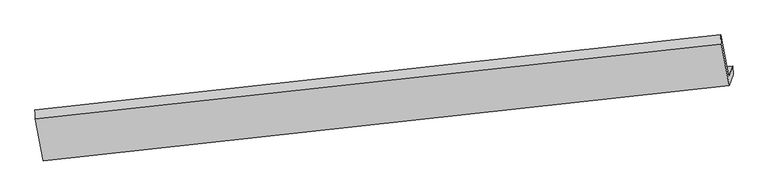
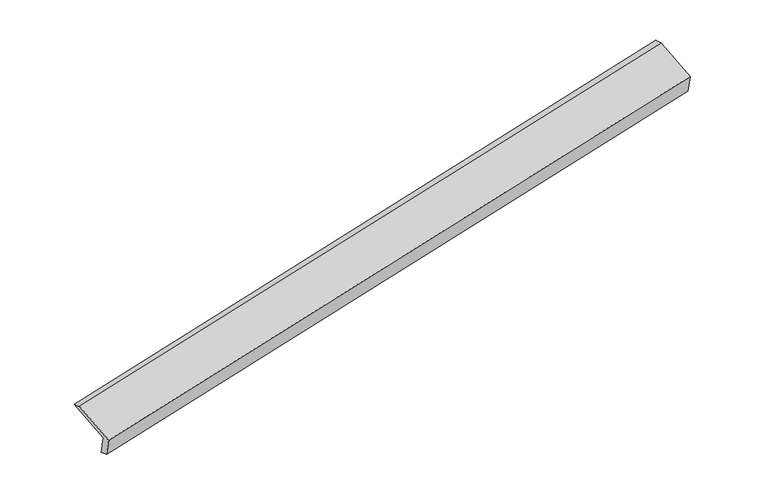
"""IFC4 building model written with IfcOpenShell, lengths in millimetres: proxy geometry."""

from ifc_helpers import new_model, si_unit, frame, origin, place, context, project, spatial, source, transform, mapped, element, save
from ifc_brep_helpers import plane_surface, spline_surface, advanced_brep


def generic_models_eae6e99e(model_context):
    return source(origin(), model_context, "Body", "AdvancedBrep", [
        advanced_brep(
        [(-8458.6178486, -2162.6579804, 390.1510597), (-8521.0673564, -2339.554824, 796.0865793), (2838.0991475, -1098.9993653, 3100.719852), (2901.2469038, -920.1246367, 2690.245564), (-8450.9928822, -2321.2303712, 439.8987379), (2908.5009285, -1065.6215266, 2734.6179578), (-8512.2388706, -2494.7180801, 838.0111171), (2845.8584431, -1243.0650058, 3141.807874), (-8646.2587, -1803.1949611, 1118.7423641), (2713.6060524, -560.6616173, 3418.8368683), (-8653.8830224, -1654.2450155, 1074.295466), (2703.5160428, -404.5698263, 3382.6309914)],
        [
            (0, 1),
            (1, 2),
            (2, 3),
            (3, 0),
            (4, 0),
            (3, 5),
            (5, 4),
            (6, 4),
            (5, 7),
            (7, 6),
            (8, 6),
            (7, 9),
            (9, 8),
            (10, 8),
            (9, 11),
            (11, 10),
            (1, 10),
            (11, 2),
        ],
        [
            plane_surface(frame((-8489.8426025, -2251.1064022, 593.1188195), z_axis=(-0.17481474689428927, 0.9121865323363303, 0.37061507591098675), x_axis=(-0.13964969581312955, -0.39557702307377773, 0.9077537007775778))),
            spline_surface(1, 1, [[(-8450.9928822, -2321.2303712, 439.8987379), (2908.5009285, -1065.6215266, 2734.6179578)], [(-8458.6178486, -2162.6579804, 390.1510597), (2901.2469038, -920.1246367, 2690.245564)]], [2, 2], [2, 2], [0.0, 1.0], [0.0, 1.0]),
            plane_surface(frame((-8481.6158764, -2407.9742256, 638.9549275), z_axis=(0.1756508020339454, -0.912094462690847, -0.37044633467416993), x_axis=(0.13964969581291573, 0.39557702307377046, -0.907753700777614))),
            plane_surface(frame((-8579.2487853, -2148.9565206, 978.3767406), z_axis=(-0.14048546722456715, -0.39567016068192173, 0.9075841324332625), x_axis=(0.17674387158307875, -0.9119730553693584, -0.37022526944834766))),
            spline_surface(1, 1, [[(-8653.8830224, -1654.2450155, 1074.295466), (2703.5160428, -404.5698263, 3382.6309914)], [(-8646.2587, -1803.1949611, 1118.7423641), (2713.6060524, -560.6616173, 3418.8368683)]], [2, 2], [2, 2], [0.0, 1.0], [0.0, 1.0]),
            plane_surface(frame((-8587.4751894, -1996.8999198, 935.1910226), z_axis=(0.14090331381348992, 0.39571662025121696, -0.9074990978581363), x_axis=(-0.17674387158307683, 0.91197305536936, 0.37022526944834405))),
            plane_surface(frame((2818.471253, -882.173663, 3078.1431846), z_axis=(0.9742995259760647, 0.10873805725858658, 0.19727257433927328), x_axis=(0.17674387158307875, -0.9119730553693584, -0.37022526944834766))),
            plane_surface(frame((-8540.50978, -2129.266872, 776.197554), z_axis=(-0.9742995259761085, -0.10873805725830174, -0.19727257433921436), x_axis=(0.1396496958129695, 0.39557702307376547, -0.9077537007776079))),
        ],
        [
            (0, [[1, 2, 3, 4]]),
            (1, [[5, -4, 6, 7]]),
            (2, [[8, -7, 9, 10]]),
            (3, [[11, -10, 12, 13]]),
            (4, [[14, -13, 15, 16]]),
            (5, [[17, -16, 18, -2]]),
            (6, [[-12, -9, -6, -3, -18, -15]]),
            (7, [[-1, -5, -8, -11, -14, -17]]),
        ],
    ),
    ])


if __name__ == "__main__":
    model = new_model("IFC4")
    model_context = context("Model", 3, world=origin())
    ifc_project = project(units=[si_unit("LENGTHUNIT", "METRE", prefix="MILLI")], contexts=[model_context])
    site = spatial("IfcSite", under=ifc_project)
    building = spatial("IfcBuilding", under=site)
    placement = place(None, origin())
    generic_models_shape = generic_models_eae6e99e(model_context)
    element("IfcBuildingElementProxy", 1, Name="Generic Models", at=placement, inside=building, context=model_context, shape_type="MappedRepresentation", body=[
        mapped(generic_models_shape, transform((0.0, 0.0, 0.0), x_axis=(1.0, 0.0, 0.0), y_axis=(0.0, 1.0, 0.0), z_axis=(0.0, 0.0, 1.0))),
    ])
    save(model, "model.ifc")
